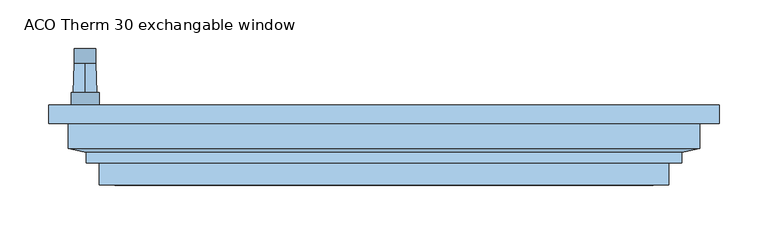
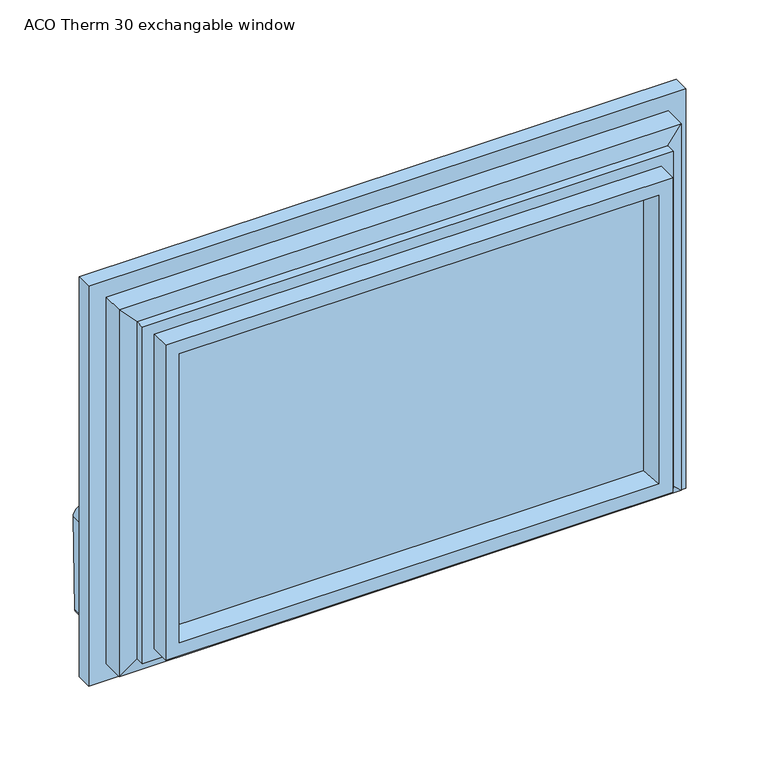
"""IFC4 building model written with IfcOpenShell, lengths in millimetres: window geometry, ACO Therm 30 exchangable window."""

from ifc_helpers import new_model, si_unit, point, frame, frame_2d, origin, place, context, project, spatial, polyline, circle_curve, trimmed, segment, composite_curve, outline, extrude, faceted_brep, source, transform, mapped, element, save
from ifc_brep_helpers import plane_surface, cylinder_surface, revolved_surface, advanced_brep


def aco_therm_30_exchangable_window_9382424d(model_context):
    return source(origin(), model_context, "Body", "SolidModel", [
        advanced_brep(
        [(-291.2, -19.2, 220.2), (-291.2, -19.2, 184.8), (-319.8, -19.2, 184.8), (-319.8, -19.2, 220.2), (-305.5, -19.2, 190.5), (-305.5, -19.2, 214.5), (-291.2, -32.0, 220.2), (-319.8, -32.0, 220.2), (-319.8, -32.0, 184.8), (-291.2, -32.0, 184.8), (-305.5, 10.5837804, 213.45), (-305.5, 10.5837804, 191.55)],
        [
            (0, 1),
            (1, 2, circle_curve(frame((-305.5, -19.2, 184.8), z_axis=(0.0, 1.0, 0.0), x_axis=(-1.0, 0.0, 0.0)), 14.3)),
            (2, 3),
            (3, 0, circle_curve(frame((-305.5, -19.2, 220.2), z_axis=(0.0, 1.0, 0.0), x_axis=(-1.0, 0.0, 0.0)), 14.3)),
            (4, 5, circle_curve(frame((-305.5, -19.2, 202.5), z_axis=(0.0, -1.0, 0.0), x_axis=(0.0, 0.0, 1.0)), 12.0)),
            (5, 4, circle_curve(frame((-305.5, -19.2, 202.5), z_axis=(0.0, -1.0, 0.0), x_axis=(0.0, 0.0, -1.0)), 12.0)),
            (6, 7, circle_curve(frame((-305.5, -32.0, 220.2), z_axis=(0.0, -1.0, 0.0), x_axis=(-1.0, 0.0, 0.0)), 14.3)),
            (7, 8),
            (8, 9, circle_curve(frame((-305.5, -32.0, 184.8), z_axis=(0.0, -1.0, 0.0), x_axis=(-1.0, 0.0, 0.0)), 14.3)),
            (9, 6),
            (0, 6),
            (9, 1),
            (8, 2),
            (7, 3),
            (10, 11, circle_curve(frame((-305.5, 10.5837804, 202.5), z_axis=(0.0, 1.0, 0.0), x_axis=(0.0, 0.0, 1.0)), 10.95)),
            (11, 10, circle_curve(frame((-305.5, 10.5837804, 202.5), z_axis=(0.0, 1.0, 0.0), x_axis=(0.0, 0.0, -1.0)), 10.95)),
            (10, 5),
            (4, 11),
        ],
        [
            plane_surface(frame((-291.2, -19.2, 220.2), z_axis=(0.0, 1.0, 0.0), x_axis=(0.0, 0.0, -1.0))),
            plane_surface(frame((-291.2, -32.0, 220.2), z_axis=(0.0, -1.0, 0.0), x_axis=(0.0, 0.0, 1.0))),
            plane_surface(frame((-291.2, -19.2, 220.2), z_axis=(1.0, 0.0, 0.0), x_axis=(0.0, -1.0, 0.0))),
            cylinder_surface(frame((-305.5, -32.0, 184.8), z_axis=(0.0, 1.0, 0.0), x_axis=(-1.0, 0.0, 0.0)), 14.3),
            plane_surface(frame((-319.8, -19.2, 184.8), z_axis=(-1.0, 0.0, 0.0), x_axis=(0.0, -1.0, 0.0))),
            cylinder_surface(frame((-305.5, -32.0, 220.2), z_axis=(0.0, 1.0, 0.0), x_axis=(-1.0, 0.0, 0.0)), 14.3),
            plane_surface(frame((-305.5, 10.5837804, 202.5), z_axis=(0.0, 1.0, 0.0), x_axis=(1.0, 0.0, 0.0))),
            revolved_surface(polyline([(-305.5, 10.583780400000023, 213.4500000002644), (-305.5, -19.19999999999999, 214.5)]), (-305.5, 321.1860618, 202.5), (0.0, -1.0, 0.0)),
            revolved_surface(polyline([(-305.5, 10.583780400000023, 191.5499999997356), (-305.5, -19.19999999999999, 190.5)]), (-305.5, 321.1860618, 202.5), (0.0, -1.0, 0.0)),
        ],
        [
            (0, [[1, 2, 3, 4], [5, 6]]),
            (1, [[7, 8, 9, 10]]),
            (2, [[-1, 11, -10, 12]]),
            (3, [[-2, -12, -9, 13]]),
            (4, [[-3, -13, -8, 14]]),
            (5, [[-4, -14, -7, -11]]),
            (6, [[15, 16]]),
            (7, [[-15, 17, -5, 18]]),
            (8, [[-16, -18, -6, -17]]),
        ],
    ),
        extrude(outline(composite_curve([segment(trimmed(circle_curve(frame_2d((89.5593058, -309.4580365)), 5.1186159), [point((89.5592661, -314.5766524))], [point((84.4406899, -309.4580365))], False, "CARTESIAN"), True, "CONTINUOUS"), segment(polyline([(84.4406899, -309.4580365), (84.4406899, -301.5419635)]), True, "CONTINUOUS"), segment(trimmed(circle_curve(frame_2d((89.5593058, -301.5419635)), 5.1186159), [point((84.4406899, -301.5419635))], [point((89.3895475, -296.4261634))], False, "CARTESIAN"), True, "CONTINUOUS"), segment(polyline([(89.3895475, -296.4261634), (202.5, -294.55)]), True, "CONTINUOUS"), segment(trimmed(circle_curve(frame_2d((202.5, -305.5)), 10.95), [point((202.5, -294.55))], [point((202.5, -316.45))], False, "CARTESIAN"), True, "CONTINUOUS"), segment(polyline([(202.5, -316.45), (89.5592661, -314.5766524)]), True, "CONTINUOUS")], self_intersect=False)), frame((0.0, 10.5837804, 0.0), z_axis=(0.0, 1.0, 0.0), x_axis=(0.0, 0.0, 1.0)), (0.0, 0.0, 1.0), 15.0),
        extrude(outline(polyline([(286.5, -53.0), (286.5, -57.0), (-286.5, -57.0), (-286.5, -53.0), (286.5, -53.0)])), frame((0.0, 0.0, 108.5), z_axis=(0.0, 0.0, 1.0), x_axis=(1.0, 0.0, 0.0)), (0.0, 0.0, 1.0), 373.0),
        extrude(outline(polyline([(286.5, -89.0), (286.5, -93.0), (-286.5, -93.0), (-286.5, -89.0), (286.5, -89.0)])), frame((0.0, 0.0, 108.5), z_axis=(0.0, 0.0, 1.0), x_axis=(1.0, 0.0, 0.0)), (0.0, 0.0, 1.0), 373.0),
        extrude(outline(polyline([(286.5, -71.0), (286.5, -75.0), (-286.5, -75.0), (-286.5, -71.0), (286.5, -71.0)])), frame((0.0, 0.0, 108.5), z_axis=(0.0, 0.0, 1.0), x_axis=(1.0, 0.0, 0.0)), (0.0, 0.0, 1.0), 373.0),
        faceted_brep([(322.5, -51.0, 517.5), (322.5, -76.45, 517.5), (322.5, -76.45, 72.5), (322.5, -51.0, 72.5), (342.5, -32.0, 537.5), (342.5, -51.0, 537.5), (342.5, -51.0, 52.5), (342.5, -32.0, 52.5), (270.3364776, -53.0, 465.3364776), (259.6599742, -32.0, 454.6599742), (259.6599742, -32.0, 135.3400258), (270.3364776, -53.0, 124.6635224), (286.5, -93.0, 481.5), (286.5, -53.0, 481.5), (286.5, -53.0, 108.5), (286.5, -93.0, 108.5), (275.1595631, -114.0, 470.1595631), (269.53263, -93.0, 464.53263), (269.53263, -93.0, 125.46737), (275.1595631, -114.0, 119.8404369), (290.9018435, -114.0, 485.9018435), (290.9018435, -114.0, 104.0981565), (290.9018435, -91.5, 104.0981565), (290.9018435, -91.5, 485.9018435), (304.3518435, -80.6, 499.3518435), (304.3518435, -91.5, 499.3518435), (304.3518435, -91.5, 90.6481565), (304.3518435, -80.6, 90.6481565), (-322.5, -76.45, 72.5), (-322.5, -51.0, 72.5), (-342.5, -51.0, 52.5), (-342.5, -32.0, 52.5), (-259.6599742, -32.0, 135.3400258), (-270.3364776, -53.0, 124.6635224), (-286.5, -53.0, 108.5), (-286.5, -93.0, 108.5), (-269.53263, -93.0, 125.46737), (-275.1595631, -114.0, 119.8404369), (-290.9018435, -114.0, 104.0981565), (-290.9018435, -91.5, 104.0981565), (-304.3518435, -91.5, 90.6481565), (-304.3518435, -80.6, 90.6481565), (-322.5, -76.45, 517.5), (-322.5, -51.0, 517.5), (-342.5, -51.0, 537.5), (-342.5, -32.0, 537.5), (-259.6599742, -32.0, 454.6599742), (-270.3364776, -53.0, 465.3364776), (-286.5, -53.0, 481.5), (-286.5, -93.0, 481.5), (-269.53263, -93.0, 464.53263), (-275.1595631, -114.0, 470.1595631), (-290.9018435, -114.0, 485.9018435), (-290.9018435, -91.5, 485.9018435), (-304.3518435, -91.5, 499.3518435), (-304.3518435, -80.6, 499.3518435)], [[[0, 1, 2, 3]], [[4, 5, 6, 7]], [[8, 9, 10, 11]], [[12, 13, 14, 15]], [[16, 17, 18, 19]], [[20, 21, 22, 23]], [[24, 25, 26, 27]], [[1, 24, 27, 2]], [[3, 2, 28, 29]], [[7, 6, 30, 31]], [[11, 10, 32, 33]], [[15, 14, 34, 35]], [[19, 18, 36, 37]], [[22, 21, 38, 39]], [[27, 26, 40, 41]], [[2, 27, 41, 28]], [[29, 28, 42, 43]], [[31, 30, 44, 45]], [[33, 32, 46, 47]], [[35, 34, 48, 49]], [[37, 36, 50, 51]], [[39, 38, 52, 53]], [[41, 40, 54, 55]], [[28, 41, 55, 42]], [[43, 42, 1, 0]], [[5, 44, 30, 6], [3, 29, 43, 0]], [[45, 44, 5, 4]], [[7, 31, 45, 4], [9, 46, 32, 10]], [[47, 46, 9, 8]], [[13, 48, 34, 14], [11, 33, 47, 8]], [[49, 48, 13, 12]], [[15, 35, 49, 12], [17, 50, 36, 18]], [[51, 50, 17, 16]], [[20, 52, 38, 21], [19, 37, 51, 16]], [[53, 52, 20, 23]], [[25, 54, 40, 26], [22, 39, 53, 23]], [[55, 54, 25, 24]], [[42, 55, 24, 1]]]),
    ])


if __name__ == "__main__":
    model = new_model("IFC4")
    model_context = context("Model", 3, world=origin())
    ifc_project = project(units=[si_unit("LENGTHUNIT", "METRE", prefix="MILLI")], contexts=[model_context])
    site = spatial("IfcSite", under=ifc_project)
    building = spatial("IfcBuilding", under=site)
    placement = place(None, origin())
    aco_therm_30_exchangable_window_shape = aco_therm_30_exchangable_window_9382424d(model_context)
    element("IfcWindow", 1, ObjectType="ACO Therm 30 exchangable window", at=placement, inside=building, context=model_context, shape_type="MappedRepresentation", body=[
        mapped(aco_therm_30_exchangable_window_shape, transform((0.0, 0.0, 0.0), x_axis=(1.0, 0.0, 0.0), y_axis=(0.0, 1.0, 0.0), z_axis=(0.0, 0.0, 1.0))),
    ])
    save(model, "model.ifc")
